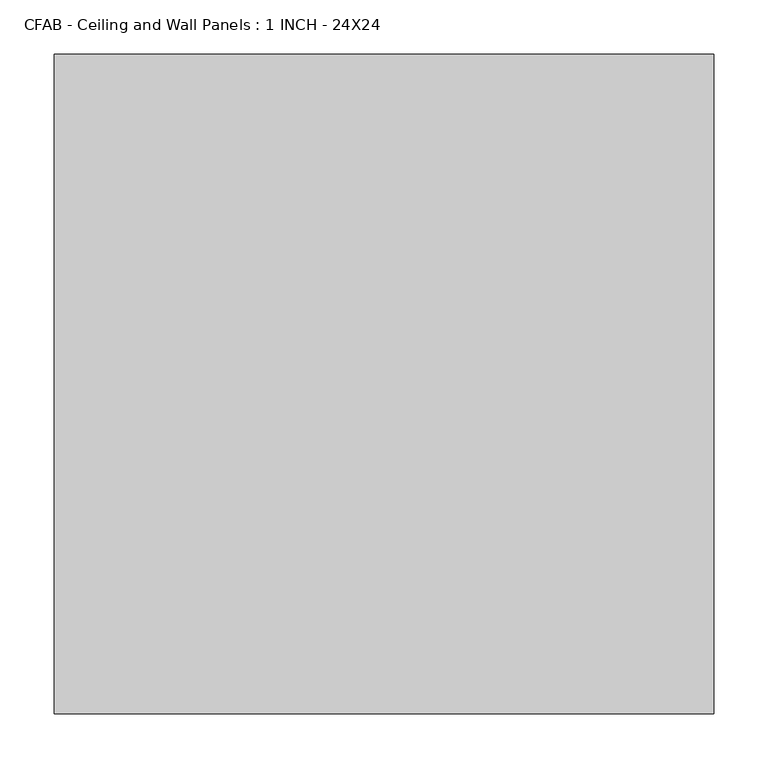
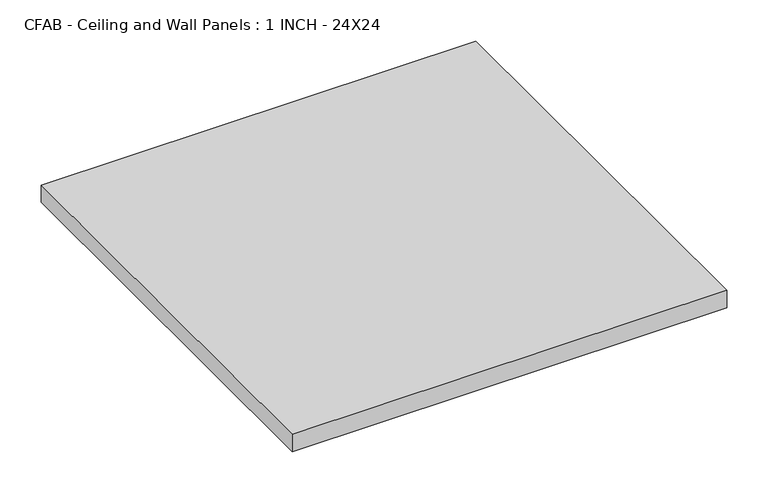
"""IFC4 building model written with IfcOpenShell, lengths in millimetres: proxy geometry, CFAB - Ceiling and Wall Panels : 1 INCH - 24X24."""

from ifc_helpers import new_model, si_unit, origin, origin_with_axes, place, context, project, spatial, polyline, outline, extrude, source, transform, mapped, element, save


def cfab_ceiling_and_wall_panels_1_inch_24x24_ee6e0225(model_context):
    return source(origin(), model_context, "Body", "SweptSolid", [
        extrude(outline(polyline([(-304.8, 304.8), (304.8, 304.8), (304.8, -304.8), (-304.8, -304.8), (-304.8, 304.8)])), origin_with_axes(), (0.0, 0.0, 1.0), 25.4),
    ])


if __name__ == "__main__":
    model = new_model("IFC4")
    model_context = context("Model", 3, world=origin())
    ifc_project = project(units=[si_unit("LENGTHUNIT", "METRE", prefix="MILLI")], contexts=[model_context])
    site = spatial("IfcSite", under=ifc_project)
    building = spatial("IfcBuilding", under=site)
    placement = place(None, origin())
    cfab_ceiling_and_wall_panels_1_inch_24x24_shape = cfab_ceiling_and_wall_panels_1_inch_24x24_ee6e0225(model_context)
    element("IfcBuildingElementProxy", 1, Name="CFAB - Ceiling and Wall Panels : 1 INCH - 24X24", ObjectType="CFAB - Ceiling and Wall Panels : 1 INCH - 24X24", at=placement, inside=building, context=model_context, shape_type="MappedRepresentation", body=[
        mapped(cfab_ceiling_and_wall_panels_1_inch_24x24_shape, transform((0.0, 0.0, 0.0), x_axis=(1.0, 0.0, 0.0), y_axis=(0.0, 1.0, 0.0), z_axis=(0.0, 0.0, 1.0))),
    ])
    save(model, "model.ifc")
